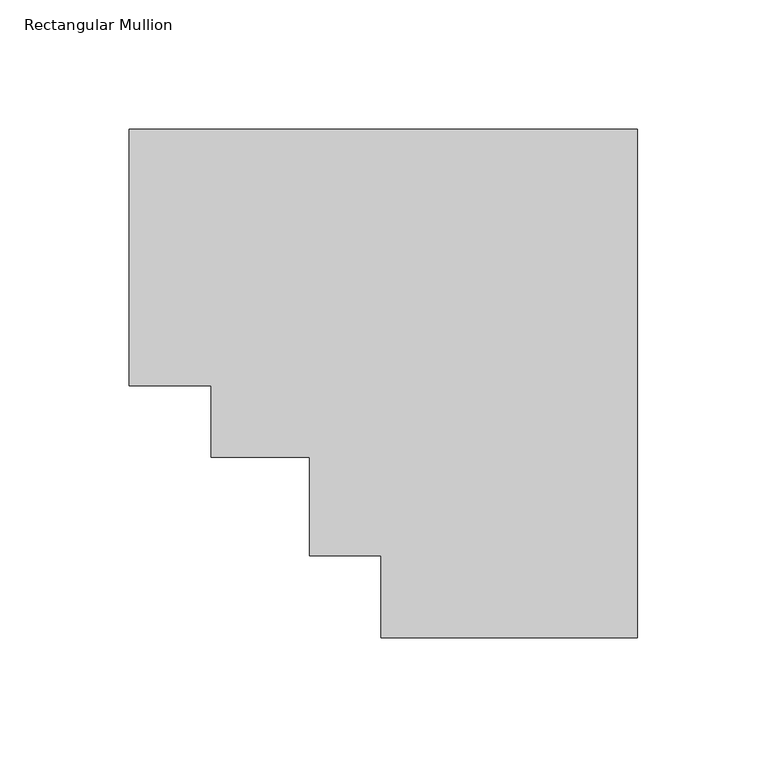
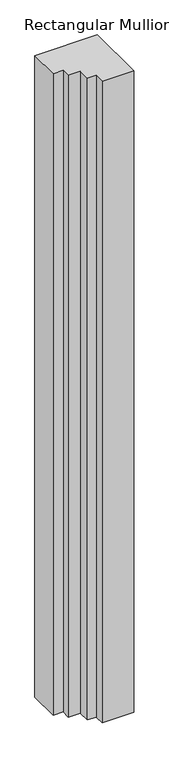
"""IFC4 building model written with IfcOpenShell, lengths in millimetres: member geometry, Rectangular Mullion."""

from ifc_helpers import new_model, si_unit, frame, origin, place, context, project, spatial, polyline, outline, extrude, source, transform, mapped, element, save


def rectangular_mullion_44aa8bc1(model_context):
    return source(origin(), model_context, "Body", "SweptSolid", [
        extrude(outline(polyline([(-196.85, 138.7038437), (0.0, 138.7038437), (0.0, -58.1461563), (-99.314, -58.1461563), (-99.314, -26.3961563), (-127.0, -26.3961563), (-127.0, 11.7038437), (-165.1, 11.7038437), (-165.1, 39.3898437), (-196.85, 39.3898437), (-196.85, 138.7038437)])), frame((0.0, 0.0, -2133.6), z_axis=(0.0, 0.0, 1.0), x_axis=(1.0, 0.0, 0.0)), (0.0, 0.0, 1.0), 2133.6),
    ])


if __name__ == "__main__":
    model = new_model("IFC4")
    model_context = context("Model", 3, world=origin())
    ifc_project = project(units=[si_unit("LENGTHUNIT", "METRE", prefix="MILLI")], contexts=[model_context])
    site = spatial("IfcSite", under=ifc_project)
    building = spatial("IfcBuilding", under=site)
    placement = place(None, origin())
    rectangular_mullion_shape = rectangular_mullion_44aa8bc1(model_context)
    element("IfcMember", 1, ObjectType="Rectangular Mullion", at=placement, inside=building, context=model_context, shape_type="MappedRepresentation", body=[
        mapped(rectangular_mullion_shape, transform((0.0, 0.0, 0.0), x_axis=(1.0, 0.0, 0.0), y_axis=(0.0, 1.0, 0.0), z_axis=(0.0, 0.0, 1.0))),
    ])
    save(model, "model.ifc")
